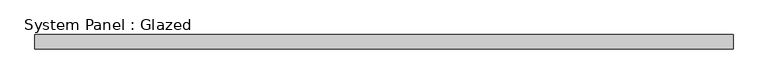
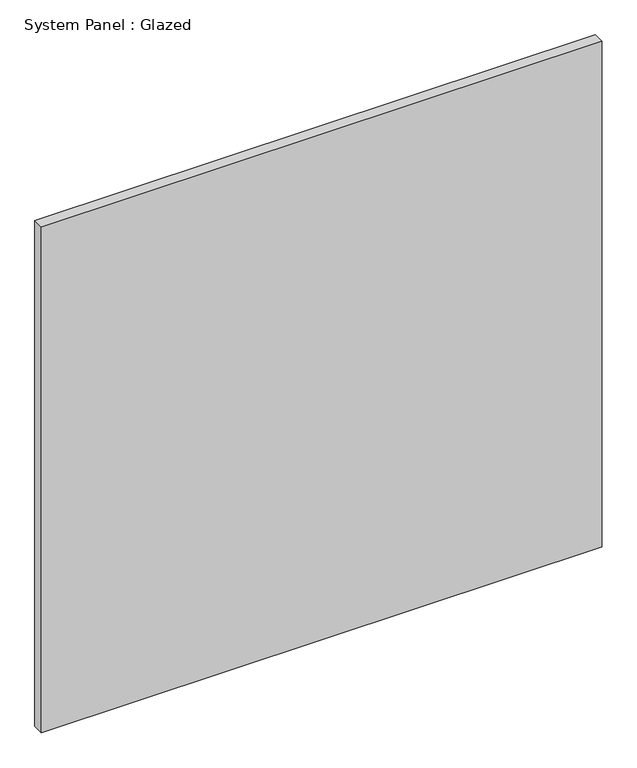
"""IFC4 building model written with IfcOpenShell, lengths in millimetres: plate geometry, System Panel : Glazed."""

import ifcopenshell
import ifcopenshell.guid

model = None  # the IFC model being written
_history = None  # IfcOwnerHistory: only IFC2X3 demands one
_inside = {}  # id of a spatial element -> (the spatial element, [elements in it])
_under = {}  # id of a project, library or spatial element -> (it, [spatial elements below it])
_declared = {}  # id of a project -> (the project, [libraries it declares])
_typed = {}  # id of a type object -> (the type object, [elements of that type])
_made_of = {}  # id of a material, layer set ... -> (it, [elements and type objects made of it])


def new_model(schema):
    """Start an empty IFC model of exactly this schema.

    Asked for "IFC4X3", IfcOpenShell would pick the latest addendum, in which some entities
    have other attributes; the version numbers below select the first issue.
    IFC2X3 requires an IfcOwnerHistory on every rooted entity: one is made here for all.
    """
    global model, _history
    if schema == "IFC4X3":
        model = ifcopenshell.file(schema_version=(4, 3, 0, 0))
    else:
        model = ifcopenshell.file(schema=schema)
    _inside.clear()
    _under.clear()
    _declared.clear()
    _typed.clear()
    _made_of.clear()
    _history = None
    if model.schema == "IFC2X3":
        org = make("IfcOrganization", Name="unknown")
        user = make(
            "IfcPersonAndOrganization",
            ThePerson=make("IfcPerson", FamilyName="unknown"),
            TheOrganization=org,
        )
        app = make(
            "IfcApplication",
            ApplicationDeveloper=org,
            Version="unknown",
            ApplicationFullName="unknown",
            ApplicationIdentifier="unknown",
        )
        _history = make(
            "IfcOwnerHistory",
            OwningUser=user,
            OwningApplication=app,
            ChangeAction="ADDED",
            CreationDate=0,
        )
    return model


def make(cls, **values):
    """One entity of the class cls with the attributes given. An attribute that is None is left unset."""
    return model.create_entity(
        cls, **{name: value for name, value in values.items() if value is not None}
    )


def rooted(cls, **values):
    """An entity with a GlobalId (a new one), such as an element, a storey or a relation."""
    return make(cls, GlobalId=ifcopenshell.guid.new(), OwnerHistory=_history, **values)


def si_unit(unit_type, name, prefix=None):
    """IfcSIUnit, for example si_unit("LENGTHUNIT", "METRE", prefix="MILLI")."""
    return make("IfcSIUnit", UnitType=unit_type, Prefix=prefix, Name=name)


def assignment(units):
    """IfcUnitAssignment: the units of a project."""
    return None if units is None else make("IfcUnitAssignment", Units=units)


def point(xyz):
    """IfcCartesianPoint."""
    return None if xyz is None else make("IfcCartesianPoint", Coordinates=xyz)


def direction(xyz):
    """IfcDirection."""
    return None if xyz is None else make("IfcDirection", DirectionRatios=xyz)


def frame(location, z_axis=None, x_axis=None):
    """IfcAxis2Placement3D, a coordinate frame: its origin and axes. An axis left out is left unset."""
    return make(
        "IfcAxis2Placement3D",
        Location=point(location),
        Axis=direction(z_axis),
        RefDirection=direction(x_axis),
    )


def origin():
    """The frame at (0, 0, 0) with its axes left unset."""
    return frame((0.0, 0.0, 0.0))


def origin_with_axes():
    """The frame at (0, 0, 0) with the z axis (0, 0, 1) and the x axis (1, 0, 0) written out."""
    return frame((0.0, 0.0, 0.0), z_axis=(0.0, 0.0, 1.0), x_axis=(1.0, 0.0, 0.0))


def place(relative_to, where):
    """IfcLocalPlacement: puts the frame where relative to a parent placement (None: the world)."""
    return make(
        "IfcLocalPlacement", PlacementRelTo=relative_to, RelativePlacement=where
    )


def context(
    kind, dimensions, precision=None, world=None, true_north=None, identifier=None
):
    """IfcGeometricRepresentationContext, for example the 3D "Model" context."""
    return make(
        "IfcGeometricRepresentationContext",
        ContextIdentifier=identifier,
        ContextType=kind,
        CoordinateSpaceDimension=dimensions,
        Precision=precision,
        WorldCoordinateSystem=world,
        TrueNorth=true_north,
    )


def project(units=None, contexts=None):
    """IfcProject with its units and contexts."""
    return rooted(
        "IfcProject",
        Name="project",
        RepresentationContexts=contexts,
        UnitsInContext=assignment(units),
    )


def spatial(cls, under=None, at=None, **own):
    """A site, building, storey or space (cls), placed at a placement, below another one or the project."""
    s = rooted(cls, ObjectPlacement=at, **own)
    if under is not None:
        _under.setdefault(under.id(), (under, []))[1].append(s)
    return s


def polyline(points):
    """IfcPolyline through the points."""
    return make("IfcPolyline", Points=[point(p) for p in points])


def outline(outer, holes=None, kind="AREA"):
    """IfcArbitraryClosedProfileDef: a profile drawn as a closed curve; with holes, ...WithVoids."""
    if holes is None:
        return make("IfcArbitraryClosedProfileDef", ProfileType=kind, OuterCurve=outer)
    return make(
        "IfcArbitraryProfileDefWithVoids",
        ProfileType=kind,
        OuterCurve=outer,
        InnerCurves=holes,
    )


def extrude(swept, where, along, depth):
    """IfcExtrudedAreaSolid: the profile swept, set in the frame where, extruded along a direction by depth."""
    return make(
        "IfcExtrudedAreaSolid",
        SweptArea=swept,
        Position=where,
        ExtrudedDirection=direction(along),
        Depth=depth,
    )


def shape(context_of_items, identifier, shape_type, items):
    """IfcShapeRepresentation: the items that make up one representation, for example the "Body"."""
    return make(
        "IfcShapeRepresentation",
        ContextOfItems=context_of_items,
        RepresentationIdentifier=identifier,
        RepresentationType=shape_type,
        Items=items,
    )


def source(mapping_origin, context_of_items, identifier, shape_type, items):
    """IfcRepresentationMap: a shape defined once, which mapped items show again and again."""
    return make(
        "IfcRepresentationMap",
        MappingOrigin=mapping_origin,
        MappedRepresentation=shape(context_of_items, identifier, shape_type, items),
    )


def transform(
    local_origin,
    x_axis=None,
    y_axis=None,
    z_axis=None,
    scale=None,
    scale2=None,
    scale3=None,
    uniform=True,
):
    """IfcCartesianTransformationOperator3D, or its non-uniform kind. x_axis, y_axis, z_axis: its Axis1, 2, 3."""
    if uniform:
        return make(
            "IfcCartesianTransformationOperator3D",
            Axis1=direction(x_axis),
            Axis2=direction(y_axis),
            LocalOrigin=point(local_origin),
            Scale=scale,
            Axis3=direction(z_axis),
        )
    return make(
        "IfcCartesianTransformationOperator3DnonUniform",
        Axis1=direction(x_axis),
        Axis2=direction(y_axis),
        LocalOrigin=point(local_origin),
        Scale=scale,
        Axis3=direction(z_axis),
        Scale2=scale2,
        Scale3=scale3,
    )


def mapped(mapping_source, mapping_target):
    """IfcMappedItem: shows the shape of a source again, moved by a transform."""
    return make(
        "IfcMappedItem", MappingSource=mapping_source, MappingTarget=mapping_target
    )


def made_of(thing, what):
    """Note that an element or type object is made of a material, layer set ...; save() writes the relation."""
    if what is not None:
        _made_of.setdefault(what.id(), (what, []))[1].append(thing)
    return thing


def element(
    cls,
    number,
    at=None,
    inside=None,
    cuts=None,
    type_object=None,
    material=None,
    context=None,
    identifier="Body",
    shape_type=None,
    held_by="IfcProductDefinitionShape",
    body=None,
    shapes=None,
    **own,
):
    """One element of the class cls, such as IfcWall. Its Tag is "e" and its number.

    at: its placement. inside: the storey or other place that contains it. cuts: it is an
    opening in that element (IfcRelVoidsElement). A single representation is given by context,
    identifier, shape_type and body (its items); several are given by shapes. held_by: the class
    of the entity that holds the representations. save() writes the other relations.
    """
    e = rooted(cls, Tag="e%d" % number, ObjectPlacement=at, **own)
    if body is not None:
        shapes = [shape(context, identifier, shape_type, body)]
    if shapes is not None:
        e.Representation = make(held_by, Representations=shapes)
    if inside is not None:
        _inside.setdefault(inside.id(), (inside, []))[1].append(e)
    if cuts is not None:
        rooted(
            "IfcRelVoidsElement", RelatingBuildingElement=cuts, RelatedOpeningElement=e
        )
    if type_object is not None:
        _typed.setdefault(type_object.id(), (type_object, []))[1].append(e)
    return made_of(e, material)


def aggregate(whole, parts):
    """IfcRelAggregates: a whole, such as a stair, and the parts it consists of."""
    return rooted("IfcRelAggregates", RelatingObject=whole, RelatedObjects=parts)


def save(model, path):
    """Write the relations noted so far, then the file.

    IfcRelAggregates (storeys below a building ...), IfcRelContainedInSpatialStructure (elements
    in a storey), IfcRelDefinesByType, IfcRelAssociatesMaterial and IfcRelDeclares: one each for
    every whole, place, type object, material and project.
    """
    for whole, parts in _under.values():
        aggregate(whole, parts)
    for where, things in _inside.values():
        rooted(
            "IfcRelContainedInSpatialStructure",
            RelatedElements=things,
            RelatingStructure=where,
        )
    for kind, things in _typed.values():
        rooted("IfcRelDefinesByType", RelatedObjects=things, RelatingType=kind)
    for what, things in _made_of.values():
        rooted("IfcRelAssociatesMaterial", RelatedObjects=things, RelatingMaterial=what)
    for by, libraries in _declared.values():
        rooted("IfcRelDeclares", RelatingContext=by, RelatedDefinitions=libraries)
    model.write(path)


def system_panel_glazed_549d281b(model_context):
    return source(origin(), model_context, "Body", "SweptSolid", [
        extrude(outline(polyline([(626.121267, -12.7), (-626.121267, -12.7), (-626.121267, 12.7), (626.121267, 12.7), (626.121267, -12.7)])), origin_with_axes(), (0.0, 0.0, 1.0), 1193.8),
    ])


if __name__ == "__main__":
    model = new_model("IFC4")
    model_context = context("Model", 3, world=origin())
    ifc_project = project(units=[si_unit("LENGTHUNIT", "METRE", prefix="MILLI")], contexts=[model_context])
    site = spatial("IfcSite", under=ifc_project)
    building = spatial("IfcBuilding", under=site)
    placement = place(None, origin())
    system_panel_glazed_shape = system_panel_glazed_549d281b(model_context)
    element("IfcPlate", 1, ObjectType="System Panel : Glazed", at=placement, inside=building, context=model_context, shape_type="MappedRepresentation", body=[
        mapped(system_panel_glazed_shape, transform((0.0, 0.0, 0.0), x_axis=(1.0, 0.0, 0.0), y_axis=(0.0, 1.0, 0.0), z_axis=(0.0, 0.0, 1.0))),
    ])
    save(model, "model.ifc")
